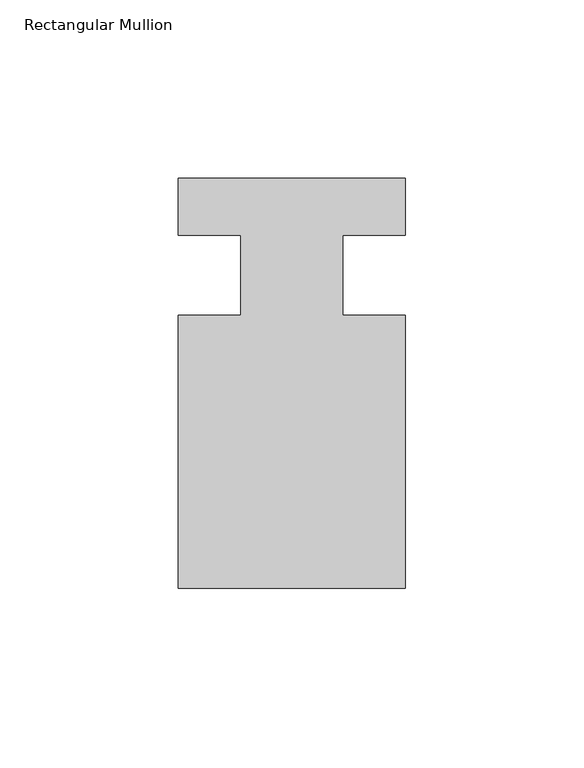
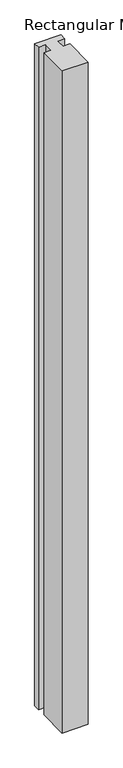
"""IFC4 building model written with IfcOpenShell, lengths in millimetres: member geometry, Rectangular Mullion."""

from ifc_helpers import new_model, si_unit, frame, origin, place, context, project, spatial, polyline, outline, extrude, source, transform, mapped, element, save


def rectangular_mullion_46aed6ea(model_context):
    return source(origin(), model_context, "Body", "SweptSolid", [
        extrude(outline(polyline([(31.75, -114.5309812), (-31.75, -114.5309812), (-31.75, -38.0007813), (-14.2875, -38.0007812), (-14.2875, -15.5217812), (-31.75, -15.5217812), (-31.75, 0.3278188), (31.75, 0.3278188), (31.75, -15.5217812), (14.2875, -15.5217812), (14.2875, -38.0007813), (31.75, -38.0007813), (31.75, -114.5309812)])), frame((0.0, 0.0, -1696.9382813), z_axis=(0.0, 0.0, 1.0), x_axis=(1.0, 0.0, 0.0)), (0.0, 0.0, 1.0), 1696.9382813),
    ])


if __name__ == "__main__":
    model = new_model("IFC4")
    model_context = context("Model", 3, world=origin())
    ifc_project = project(units=[si_unit("LENGTHUNIT", "METRE", prefix="MILLI")], contexts=[model_context])
    site = spatial("IfcSite", under=ifc_project)
    building = spatial("IfcBuilding", under=site)
    placement = place(None, origin())
    rectangular_mullion_shape = rectangular_mullion_46aed6ea(model_context)
    element("IfcMember", 1, ObjectType="Rectangular Mullion", at=placement, inside=building, context=model_context, shape_type="MappedRepresentation", body=[
        mapped(rectangular_mullion_shape, transform((0.0, 0.0, 0.0), x_axis=(1.0, 0.0, 0.0), y_axis=(0.0, 1.0, 0.0), z_axis=(0.0, 0.0, 1.0))),
    ])
    save(model, "model.ifc")
